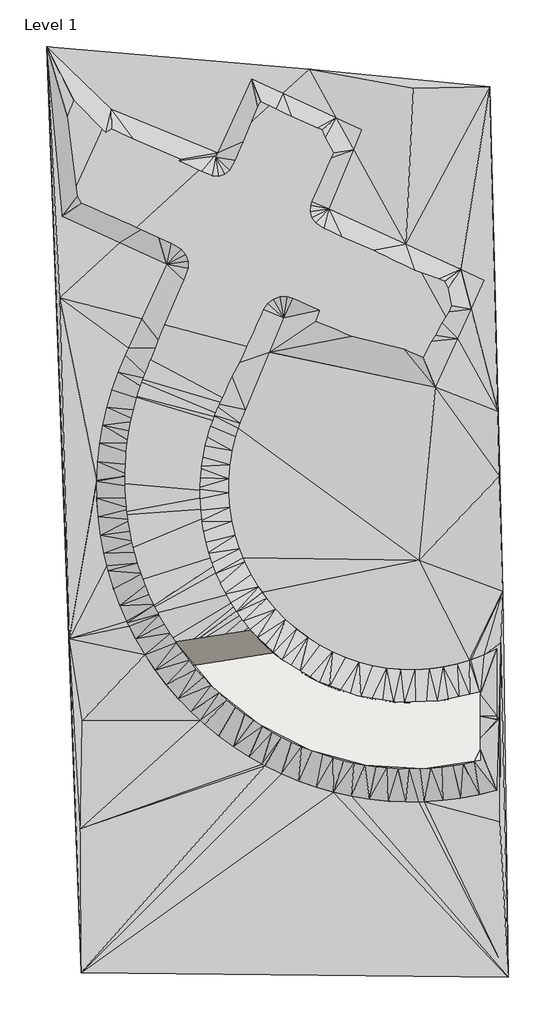
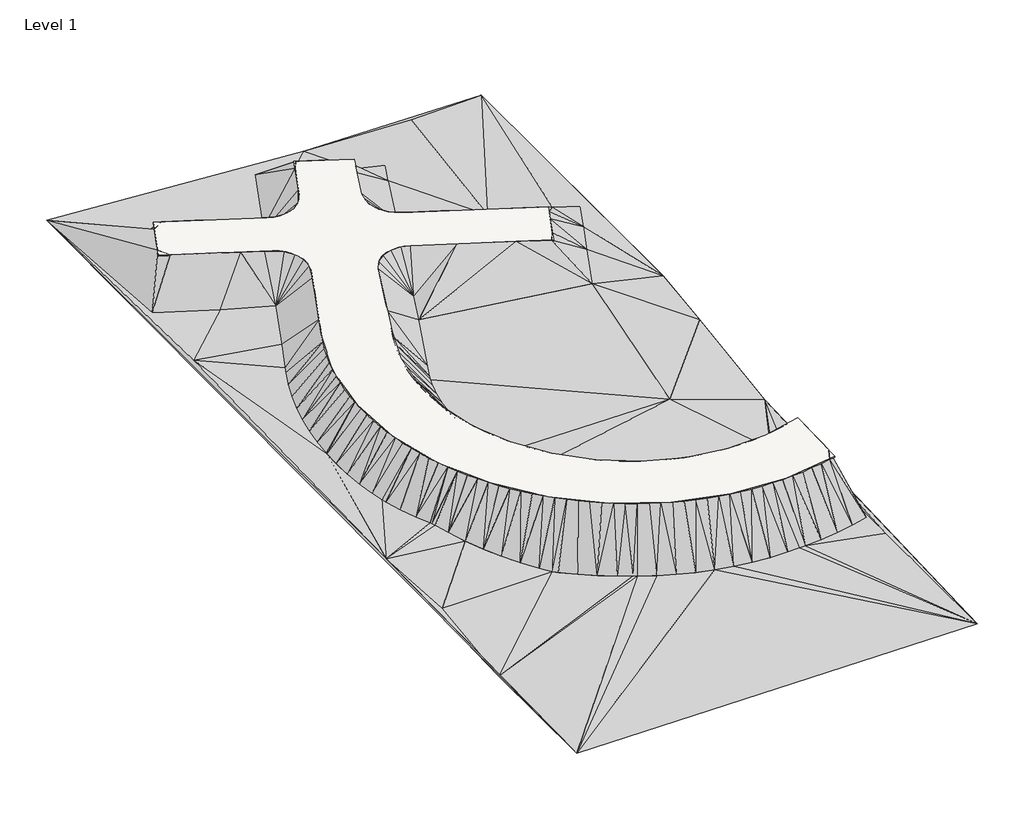
# One storey: 3 proxies, 1 slab.
"""IFC4 building model written with IfcOpenShell, lengths in millimetres."""

from ifc_helpers import new_model, si_unit, frame, origin, place, context, project, spatial, polyline, ellipse_curve, triangles, element, save
from ifc_brep_helpers import plane_surface, cylinder_surface, revolved_surface, advanced_brep

model = new_model("IFC4")

# Units and contexts
model_context = context("Model", 3, world=origin())
ifc_project = project(units=[si_unit("LENGTHUNIT", "METRE", prefix="MILLI")], contexts=[model_context])

# Site, building, storey
site = spatial("IfcSite", under=ifc_project)
building = spatial("IfcBuilding", under=site)
storey = spatial("IfcBuildingStorey", under=building, Name="Level 1", Elevation=0.0)

# Proxies
placement = place(None, origin())
element("IfcBuildingElementProxy", 1, Name="Building Element Proxy", at=placement, inside=storey, context=model_context, shape_type="Tessellation", body=[
    triangles([(68872.0193848, 2162.3956261, -5400.0000412), (107662.1633057, 1746.1923969, -5400.0000412), (107162.7240234, 36790.5101624, -3400.0000259), (106016.1986572, 82596.7351318, 600.0000046), (89608.3164551, 84188.3403076, -400.0000031), (65731.8110596, 86226.5786865, -400.0000031), (76661.0881348, 66467.8917114, -1065.5321995), (72378.1030518, 68429.3952393, -1159.384683), (67155.9938965, 70820.9980957, -1073.6252375), (71611.3265991, 80549.3066162, -628.0985075), (80952.2308594, 76271.3909912, -781.4983738), (81116.4068848, 76196.2048828, -777.9008463), (81293.9960449, 76583.9719116, -766.4359938), (84364.2458496, 83287.8836426, -459.4171975), (87202.5377197, 81988.0001953, -506.0292143), (92041.228418, 79771.9773193, -400.0000031), (94391.829126, 78695.4476807, -193.2906545), (93635.6241211, 76877.7307251, -400.0000031), (91393.9656006, 71489.3340454, -552.6897746), (98361.9960938, 68298.1427856, -400.0000031), (103354.1843994, 66011.8404785, 39.0089879), (105508.6761475, 65025.1332642, 3.9978758), (104299.7638916, 62385.447876, -84.7352712), (103082.9172363, 59728.4379639, -400.0000031), (101053.3480957, 55296.8247437, -531.0271797), (87281.5003418, 61604.0025513, -832.8082506), (85991.7465088, 58503.8289917, -920.6578302), (83803.3963623, 53243.6616943, -1664.4438984), (83307.9103271, 52050.5763794, -1833.0977028), (83153.2220947, 51577.1773682, -1897.6822781), (82906.6417969, 50822.5908691, -1930.0664932), (82602.0092285, 49567.1372681, -1983.8867546), (82395.8543701, 48291.8104614, -2038.5012989), (82289.4236572, 47004.3169556, -2093.5799137), (82283.3775146, 45712.4469727, -2148.7891891), (82377.7252441, 44424.0139893, -2203.79557), (82571.918042, 43146.8082275, -2258.2660824), (82864.774585, 41888.5547974, -2311.8716766), (83254.5182373, 40656.8671875, -2364.2876633), (83594.2370361, 39816.7184692, -2400.0000183), (83738.7956543, 39459.1868042, -2400.0000183), (84314.686084, 38302.7620422, -2400.0000183), (84978.6920654, 37194.585498, -2400.0000183), (85341.9815186, 36683.135321, -2400.0000183), (85726.8138428, 36141.3614136, -2477.7630043), (86554.5121582, 35149.4545166, -2623.3113876), (87456.782666, 34224.8667664, -2762.3543541), (88428.1838379, 33373.1908447, -2894.050676), (89462.8276611, 32599.5752747, -3017.6044716), (90554.4540527, 31908.7011658, -3132.2681122), (91696.4680664, 31304.7450073, -3237.3480354), (92881.9677979, 30791.3600647, -3332.2091057), (94103.77229, 30371.6507996, -3416.2775208), (95354.4959473, 30048.1542664, -3489.0448814), (96626.5764404, 29822.8308105, -3550.0708076), (97912.3212158, 29697.0384888, -3598.9864265), (99203.9540039, 29671.5400452, -3635.495826), (100493.6613281, 29746.4912842, -3659.3783798), (101773.6483154, 29921.4387451, -3670.4896202), (103036.1666016, 30195.3197021, -3668.7621094), (104117.7470947, 30519.7440857, -3656.0396301), (104273.5794434, 30566.4830933, -3647.9447754), (105478.4082275, 31032.6825439, -3570.3910789), (106643.3696777, 31591.0996216, -3480.0326408), (106643.3696777, 25506.7640259, -4348.8705963), (106643.3696777, 25187.9299988, -4388.7922874), (106643.3696777, 25136.4075623, -4400.0000336), (106643.3696777, 18740.2293732, -4400.0000336), (105024.687085, 18334.828537, -4400.0000336), (103385.1313477, 18024.4800385, -4400.0000336), (101730.2556152, 17810.2396271, -4400.0000336), (100065.7153564, 17692.8340027, -4400.0000336), (99497.3593506, 17685.9646545, -4400.0000336), (98397.16604, 17672.6654663, -4428.2581924), (96730.2724365, 17749.800293, -4461.2076347), (95070.7086182, 17923.9780334, -4484.1385025), (93424.120752, 18194.604538, -4496.9723122), (91796.1084961, 18560.7600952, -4499.6660431), (90192.2156982, 19021.1994324, -4492.2101028), (88617.8838867, 19574.356366, -4474.6300713), (87078.4894775, 20218.34729, -4446.9855377), (85579.2414551, 20950.9862915, -4409.3706825), (85292.152002, 21112.660144, -4400.0000336), (84125.2650879, 21769.7781738, -4400.0000336), (82721.4810059, 22671.939386, -4400.0000336), (81372.688916, 23654.4003479, -4400.0000336), (80083.4559814, 24713.8194031, -4400.0000336), (79690.4288086, 25077.1693176, -4400.0000336), (78858.1819336, 25846.5944458, -4232.2300415), (77701.0200073, 27048.8698975, -3970.1466202), (76615.9187988, 28316.5599609, -3693.8681351), (75606.5618042, 29645.350946, -3404.3349358), (74676.3813721, 31030.7221985, -3102.5312645), (73828.5494019, 32467.9647034, -2789.4838028), (73243.1572266, 33607.2881836, -2541.3678429), (73065.9447876, 33952.1880615, -2510.1796303), (73007.9111206, 34083.4405151, -2497.1350777), (72391.1580688, 35478.3437439, -2520.6970116), (71806.4914307, 37041.2390442, -2530.4254875), (71313.9261475, 38635.5626587, -2524.0700615), (71202.5189941, 39088.2327026, -2517.8070717), (70915.1411865, 40255.8870117, -2474.5431427), (70611.4946045, 41896.7077881, -2401.1009686), (70404.0188965, 43552.4346313, -2314.502766), (70293.4163452, 45217.4446289, -2215.0429939), (70280.8171143, 46791.8741089, -2109.3815655), (70280.0636719, 46886.0683594, -2105.3566658), (70364.0073853, 48552.6317505, -2034.0916843), (70544.9637817, 50211.4700317, -1963.1027035), (70822.3142944, 51856.9370361, -1892.6309875), (71195.1194458, 53483.4377563, -1822.9163475), (71662.104895, 55085.4376465, -1754.1959782), (72221.6893433, 56657.4905273, -1686.7034409), (72871.9659302, 58194.2478882, -1620.6685181), (73178.4495483, 58863.4582031, -1591.8991985), (74387.9896729, 61504.5295532, -1212.2811636), (68788.7779541, 15231.1784454, -5400.0000412), (106912.9997314, 15897.1040771, -4400.0000336), (106829.7583008, 25136.8168396, -4400.0000336), (68955.2608154, 25053.5754089, -4400.0000336), (67789.8900879, 32461.9953003, -3400.0000259), (106996.2411621, 32129.0319031, -3400.0000259), (106873.0393799, 47235.3865723, -1400.0000107), (66918.617688, 63436.0860718, -1400.0000107), (106708.844751, 53146.4536743, -400.0000031), (99067.413501, 82451.971875, 600.0000046), (99539.0219238, 39607.8195923, -2400.0000183)], [[121, 1, 117], [1, 121, 6], [88, 120, 117], [121, 117, 120], [93, 94, 121], [92, 93, 120], [95, 121, 94], [121, 120, 93], [84, 117, 83], [121, 95, 96], [101, 102, 121], [102, 103, 121], [101, 121, 100], [97, 98, 121], [98, 99, 121], [97, 121, 96], [100, 121, 99], [121, 103, 104], [89, 120, 88], [90, 91, 120], [89, 90, 120], [84, 85, 117], [86, 87, 117], [85, 86, 117], [117, 87, 88], [38, 127, 37], [127, 38, 39], [127, 41, 42], [127, 40, 41], [37, 127, 36], [39, 40, 127], [91, 92, 120], [117, 1, 82], [106, 107, 121], [107, 108, 124], [121, 107, 124], [110, 111, 124], [109, 110, 124], [121, 105, 106], [108, 109, 124], [124, 9, 6], [6, 10, 14], [10, 6, 9], [9, 124, 8], [124, 6, 121], [114, 124, 113], [115, 124, 114], [116, 8, 124], [113, 124, 112], [124, 111, 112], [105, 121, 104], [34, 127, 33], [33, 127, 32], [35, 36, 127], [30, 31, 127], [32, 127, 31], [29, 25, 28], [34, 35, 127], [7, 8, 116], [116, 124, 115], [14, 10, 13], [12, 13, 11], [13, 10, 11], [29, 30, 25], [6, 14, 5], [42, 43, 127], [77, 78, 2], [80, 1, 79], [79, 1, 78], [73, 74, 2], [75, 76, 2], [74, 75, 2], [77, 2, 76], [82, 1, 81], [83, 117, 82], [127, 55, 56], [55, 127, 54], [127, 53, 54], [57, 127, 56], [81, 1, 80], [71, 72, 118], [69, 70, 118], [71, 118, 70], [119, 68, 118], [118, 68, 69], [119, 67, 68], [119, 118, 122], [118, 72, 2], [72, 73, 2], [127, 58, 59], [59, 60, 127], [127, 60, 61], [66, 119, 65], [119, 66, 67], [65, 119, 122], [58, 127, 57], [118, 2, 122], [2, 78, 1], [3, 61, 62], [46, 127, 45], [127, 44, 45], [47, 127, 46], [127, 49, 50], [49, 127, 48], [48, 127, 47], [51, 127, 50], [127, 43, 44], [127, 25, 30], [25, 26, 27], [5, 16, 126], [5, 15, 16], [19, 20, 18], [15, 5, 14], [127, 51, 52], [61, 3, 127], [123, 25, 127], [122, 63, 64], [127, 52, 53], [3, 123, 127], [3, 122, 2], [125, 123, 4], [125, 25, 123], [3, 4, 123], [63, 122, 3], [64, 65, 122], [25, 125, 24], [126, 20, 4], [17, 126, 16], [126, 17, 20], [17, 18, 20], [22, 23, 125], [21, 4, 20], [4, 21, 22], [22, 125, 4], [24, 125, 23], [126, 4, 5], [28, 25, 27], [63, 3, 62]], closed=False),
])
element("IfcBuildingElementProxy", 2, Name="Building Element Proxy", at=placement, inside=storey, context=model_context, shape_type="Tessellation", body=[
    triangles([(76661.0881348, 66467.8917114, -1065.5321995), (74387.9896729, 61504.5295532, -1212.2811636), (73178.4495483, 58863.4582031, -1591.8991985), (72871.9659302, 58194.2478882, -1620.6685181), (72221.6893433, 56657.4905273, -1686.7034409), (71662.104895, 55085.4376465, -1754.1959782), (71195.1194458, 53483.4377563, -1822.9163475), (70822.3142944, 51856.9370361, -1892.6309875), (70544.9637817, 50211.4700317, -1963.1027035), (70364.0073853, 48552.6317505, -2034.0916843), (70280.0636719, 46886.0683594, -2105.3566658), (70280.8171143, 46791.8741089, -2109.3815655), (70293.4163452, 45217.4446289, -2215.0429939), (70404.0188965, 43552.4346313, -2314.502766), (70611.4946045, 41896.7077881, -2401.1009686), (70915.1411865, 40255.8870117, -2474.5431427), (71202.5189941, 39088.2327026, -2517.8070717), (71313.9261475, 38635.5626587, -2524.0700615), (71806.4914307, 37041.2390442, -2530.4254875), (72391.1580688, 35478.3437439, -2520.6970116), (73007.9111206, 34083.4405151, -2497.1350777), (73065.9447876, 33952.1880615, -2510.1796303), (73243.1572266, 33607.2881836, -2541.3678429), (73828.5494019, 32467.9647034, -2789.4838028), (74676.3813721, 31030.7221985, -3102.5312645), (75606.5618042, 29645.350946, -3404.3349358), (76615.9187988, 28316.5599609, -3693.8681351), (77701.0200073, 27048.8698975, -3970.1466202), (78858.1819336, 25846.5944458, -4232.2300415), (79690.4288086, 25077.1693176, -4400.0000336), (80083.4559814, 24713.8194031, -4400.0000336), (81372.688916, 23654.4003479, -4400.0000336), (82721.4810059, 22671.939386, -4400.0000336), (84125.2650879, 21769.7781738, -4400.0000336), (85292.152002, 21112.660144, -4400.0000336), (85579.2414551, 20950.9862915, -4409.3706825), (87078.4894775, 20218.34729, -4446.9855377), (88617.8838867, 19574.356366, -4474.6300713), (90192.2156982, 19021.1994324, -4492.2101028), (91796.1084961, 18560.7600952, -4499.6660431), (93424.120752, 18194.604538, -4496.9723122), (95070.7086182, 17923.9780334, -4484.1385025), (96730.2724365, 17749.800293, -4461.2076347), (98397.16604, 17672.6654663, -4428.2581924), (99497.3593506, 17685.9646545, -4400.0000336), (100065.7153564, 17692.8340027, -4400.0000336), (101730.2556152, 17810.2396271, -4400.0000336), (103385.1313477, 18024.4800385, -4400.0000336), (105024.687085, 18334.828537, -4400.0000336), (106643.3696777, 18740.2293732, -4400.0000336), (106643.3696777, 25136.4075623, -4400.0000336), (106643.3696777, 25187.9299988, -4388.7922874), (106643.3696777, 25506.7640259, -4348.8705963), (106643.3696777, 31591.0996216, -3480.0326408), (105478.4082275, 31032.6825439, -3570.3910789), (104273.5794434, 30566.4830933, -3647.9447754), (104117.7470947, 30519.7440857, -3656.0396301), (103036.1666016, 30195.3197021, -3668.7621094), (101773.6483154, 29921.4387451, -3670.4896202), (100493.6613281, 29746.4912842, -3659.3783798), (99203.9540039, 29671.5400452, -3635.495826), (97912.3212158, 29697.0384888, -3598.9864265), (96626.5764404, 29822.8308105, -3550.0708076), (95354.4959473, 30048.1542664, -3489.0448814), (94103.77229, 30371.6507996, -3416.2775208), (92881.9677979, 30791.3600647, -3332.2091057), (91696.4680664, 31304.7450073, -3237.3480354), (90554.4540527, 31908.7011658, -3132.2681122), (89462.8276611, 32599.5752747, -3017.6044716), (88428.1838379, 33373.1908447, -2894.050676), (87456.782666, 34224.8667664, -2762.3543541), (86554.5121582, 35149.4545166, -2623.3113876), (85726.8138428, 36141.3614136, -2477.7630043), (85341.9815186, 36683.135321, -2400.0000183), (84978.6920654, 37194.585498, -2400.0000183), (84314.686084, 38302.7620422, -2400.0000183), (83738.7956543, 39459.1868042, -2400.0000183), (83594.2370361, 39816.7184692, -2400.0000183), (83254.5182373, 40656.8671875, -2364.2876633), (82864.774585, 41888.5547974, -2311.8716766), (82571.918042, 43146.8082275, -2258.2660824), (82377.7252441, 44424.0139893, -2203.79557), (82283.3775146, 45712.4469727, -2148.7891891), (82289.4236572, 47004.3169556, -2093.5799137), (82395.8543701, 48291.8104614, -2038.5012989), (82602.0092285, 49567.1372681, -1983.8867546), (82906.6417969, 50822.5908691, -1930.0664932), (83153.2220947, 51577.1773682, -1897.6822781), (83307.9103271, 52050.5763794, -1833.0977028), (83803.3963623, 53243.6616943, -1664.4438984), (85991.7465088, 58503.8289917, -920.6578302), (87281.5003418, 61604.0025513, -832.8082506), (101053.3480957, 55296.8247437, -531.0271797), (103082.9172363, 59728.4379639, -400.0000031), (104299.7638916, 62385.447876, -84.7352712), (105508.6761475, 65025.1332642, 3.9978758), (103354.1843994, 66011.8404785, 39.0089879), (98361.9960938, 68298.1427856, -400.0000031), (91393.9656006, 71489.3340454, -552.6897746), (93635.6241211, 76877.7307251, -400.0000031), (94391.829126, 78695.4476807, -193.2906545), (92041.228418, 79771.9773193, -400.0000031), (87202.5377197, 81988.0001953, -506.0292143), (84364.2458496, 83287.8836426, -459.4171975), (81293.9960449, 76583.9719116, -766.4359938), (81116.4068848, 76196.2048828, -777.9008463), (80952.2308594, 76271.3909912, -781.4983738), (71611.3265991, 80549.3066162, -628.0985075), (67155.9938965, 70820.9980957, -1073.6252375), (72378.1030518, 68429.3952393, -1159.384683), (71658.2353638, 39973.0949707, -2400.0000183), (73569.295459, 34257.8856812, -2400.0000183)], [[21, 22, 112], [20, 21, 112], [24, 25, 112], [23, 112, 22], [112, 23, 24], [19, 112, 79], [20, 112, 19], [111, 14, 15], [111, 15, 16], [18, 19, 111], [17, 111, 16], [111, 17, 18], [111, 19, 79], [82, 14, 111], [77, 112, 76], [28, 72, 27], [28, 29, 72], [70, 31, 32], [31, 71, 30], [71, 29, 30], [32, 33, 69], [111, 80, 81], [26, 75, 25], [25, 75, 112], [78, 112, 77], [80, 111, 79], [79, 112, 78], [73, 26, 27], [82, 111, 81], [6, 7, 87], [10, 11, 84], [9, 10, 85], [8, 9, 86], [8, 86, 7], [84, 11, 12], [108, 109, 110], [5, 6, 89], [108, 110, 107], [90, 4, 5], [4, 90, 3], [83, 12, 13], [84, 12, 83], [85, 10, 84], [87, 7, 86], [89, 6, 88], [88, 6, 87], [86, 9, 85], [1, 107, 110], [91, 1, 2], [107, 1, 106], [1, 99, 106], [99, 105, 106], [90, 91, 2], [2, 3, 90], [89, 90, 5], [13, 14, 83], [14, 82, 83], [69, 33, 34], [39, 66, 38], [40, 65, 39], [42, 43, 63], [63, 41, 42], [64, 40, 41], [62, 43, 44], [36, 67, 35], [37, 67, 36], [64, 41, 63], [38, 66, 37], [65, 40, 64], [43, 62, 63], [66, 39, 65], [44, 61, 62], [46, 61, 45], [47, 60, 46], [48, 49, 51], [50, 51, 49], [48, 51, 47], [51, 60, 47], [61, 46, 60], [60, 51, 59], [53, 58, 59], [57, 58, 53], [53, 56, 57], [53, 59, 52], [52, 59, 51], [45, 61, 44], [74, 26, 73], [73, 27, 72], [69, 34, 68], [71, 31, 70], [70, 32, 69], [29, 71, 72], [91, 92, 1], [76, 112, 75], [105, 99, 103], [103, 99, 102], [104, 105, 103], [1, 92, 99], [92, 98, 99], [75, 26, 74], [66, 67, 37], [94, 92, 93], [55, 56, 53], [55, 53, 54], [94, 98, 92], [102, 100, 101], [99, 100, 102], [95, 96, 97], [98, 94, 97], [97, 94, 95], [68, 35, 67], [34, 35, 68]], closed=False),
])
element("IfcBuildingElementProxy", 3, Name="Building Element Proxy", at=placement, inside=storey, context=model_context, shape_type="Tessellation", body=[
    triangles([(68872.0193848, 2162.3956261, -5400.0000412), (107662.1633057, 1746.1923969, -5400.0000412), (107162.7240234, 36790.5101624, -3400.0000259), (106016.1986572, 82596.7351318, 600.0000046), (89608.3164551, 84188.3403076, -400.0000031), (65731.8110596, 86226.5786865, -400.0000031), (76661.0881348, 66467.8917114, -1065.5321995), (72378.1030518, 68429.3952393, -1159.384683), (67155.9938965, 70820.9980957, -1073.6252375), (71611.3265991, 80549.3066162, -628.0985075), (80952.2308594, 76271.3909912, -781.4983738), (81116.4068848, 76196.2048828, -777.9008463), (81293.9960449, 76583.9719116, -766.4359938), (84364.2458496, 83287.8836426, -459.4171975), (87202.5377197, 81988.0001953, -506.0292143), (92041.228418, 79771.9773193, -400.0000031), (94391.829126, 78695.4476807, -193.2906545), (93635.6241211, 76877.7307251, -400.0000031), (91393.9656006, 71489.3340454, -552.6897746), (98361.9960938, 68298.1427856, -400.0000031), (103354.1843994, 66011.8404785, 39.0089879), (105508.6761475, 65025.1332642, 3.9978758), (104299.7638916, 62385.447876, -84.7352712), (103082.9172363, 59728.4379639, -400.0000031), (101053.3480957, 55296.8247437, -531.0271797), (87281.5003418, 61604.0025513, -832.8082506), (85991.7465088, 58503.8289917, -920.6578302), (83803.3963623, 53243.6616943, -1664.4438984), (83307.9103271, 52050.5763794, -1833.0977028), (83153.2220947, 51577.1773682, -1897.6822781), (82906.6417969, 50822.5908691, -1930.0664932), (82602.0092285, 49567.1372681, -1983.8867546), (82395.8543701, 48291.8104614, -2038.5012989), (82289.4236572, 47004.3169556, -2093.5799137), (82283.3775146, 45712.4469727, -2148.7891891), (82377.7252441, 44424.0139893, -2203.79557), (82571.918042, 43146.8082275, -2258.2660824), (82864.774585, 41888.5547974, -2311.8716766), (83254.5182373, 40656.8671875, -2364.2876633), (83594.2370361, 39816.7184692, -2400.0000183), (83738.7956543, 39459.1868042, -2400.0000183), (84314.686084, 38302.7620422, -2400.0000183), (84978.6920654, 37194.585498, -2400.0000183), (85341.9815186, 36683.135321, -2400.0000183), (85726.8138428, 36141.3614136, -2477.7630043), (86554.5121582, 35149.4545166, -2623.3113876), (87456.782666, 34224.8667664, -2762.3543541), (88428.1838379, 33373.1908447, -2894.050676), (89462.8276611, 32599.5752747, -3017.6044716), (90554.4540527, 31908.7011658, -3132.2681122), (91696.4680664, 31304.7450073, -3237.3480354), (92881.9677979, 30791.3600647, -3332.2091057), (94103.77229, 30371.6507996, -3416.2775208), (95354.4959473, 30048.1542664, -3489.0448814), (96626.5764404, 29822.8308105, -3550.0708076), (97912.3212158, 29697.0384888, -3598.9864265), (99203.9540039, 29671.5400452, -3635.495826), (100493.6613281, 29746.4912842, -3659.3783798), (101773.6483154, 29921.4387451, -3670.4896202), (103036.1666016, 30195.3197021, -3668.7621094), (104117.7470947, 30519.7440857, -3656.0396301), (104273.5794434, 30566.4830933, -3647.9447754), (105478.4082275, 31032.6825439, -3570.3910789), (106643.3696777, 31591.0996216, -3480.0326408), (106643.3696777, 25506.7640259, -4348.8705963), (106643.3696777, 25187.9299988, -4388.7922874), (106643.3696777, 25136.4075623, -4400.0000336), (106643.3696777, 18740.2293732, -4400.0000336), (105024.687085, 18334.828537, -4400.0000336), (103385.1313477, 18024.4800385, -4400.0000336), (101730.2556152, 17810.2396271, -4400.0000336), (100065.7153564, 17692.8340027, -4400.0000336), (99497.3593506, 17685.9646545, -4400.0000336), (98397.16604, 17672.6654663, -4428.2581924), (96730.2724365, 17749.800293, -4461.2076347), (95070.7086182, 17923.9780334, -4484.1385025), (93424.120752, 18194.604538, -4496.9723122), (91796.1084961, 18560.7600952, -4499.6660431), (90192.2156982, 19021.1994324, -4492.2101028), (88617.8838867, 19574.356366, -4474.6300713), (87078.4894775, 20218.34729, -4446.9855377), (85579.2414551, 20950.9862915, -4409.3706825), (85292.152002, 21112.660144, -4400.0000336), (84125.2650879, 21769.7781738, -4400.0000336), (82721.4810059, 22671.939386, -4400.0000336), (81372.688916, 23654.4003479, -4400.0000336), (80083.4559814, 24713.8194031, -4400.0000336), (79690.4288086, 25077.1693176, -4400.0000336), (78858.1819336, 25846.5944458, -4232.2300415), (77701.0200073, 27048.8698975, -3970.1466202), (76615.9187988, 28316.5599609, -3693.8681351), (75606.5618042, 29645.350946, -3404.3349358), (74676.3813721, 31030.7221985, -3102.5312645), (73828.5494019, 32467.9647034, -2789.4838028), (73243.1572266, 33607.2881836, -2541.3678429), (73065.9447876, 33952.1880615, -2510.1796303), (73007.9111206, 34083.4405151, -2497.1350777), (72391.1580688, 35478.3437439, -2520.6970116), (71806.4914307, 37041.2390442, -2530.4254875), (71313.9261475, 38635.5626587, -2524.0700615), (71202.5189941, 39088.2327026, -2517.8070717), (70915.1411865, 40255.8870117, -2474.5431427), (70611.4946045, 41896.7077881, -2401.1009686), (70404.0188965, 43552.4346313, -2314.502766), (70293.4163452, 45217.4446289, -2215.0429939), (70280.8171143, 46791.8741089, -2109.3815655), (70280.0636719, 46886.0683594, -2105.3566658), (70364.0073853, 48552.6317505, -2034.0916843), (70544.9637817, 50211.4700317, -1963.1027035), (70822.3142944, 51856.9370361, -1892.6309875), (71195.1194458, 53483.4377563, -1822.9163475), (71662.104895, 55085.4376465, -1754.1959782), (72221.6893433, 56657.4905273, -1686.7034409), (72871.9659302, 58194.2478882, -1620.6685181), (73178.4495483, 58863.4582031, -1591.8991985), (74387.9896729, 61504.5295532, -1212.2811636), (68788.7779541, 15231.1784454, -5400.0000412), (106912.9997314, 15897.1040771, -4400.0000336), (106829.7583008, 25136.8168396, -4400.0000336), (68955.2608154, 25053.5754089, -4400.0000336), (67789.8900879, 32461.9953003, -3400.0000259), (106996.2411621, 32129.0319031, -3400.0000259), (106873.0393799, 47235.3865723, -1400.0000107), (66918.617688, 63436.0860718, -1400.0000107), (106708.844751, 53146.4536743, -400.0000031), (99067.413501, 82451.971875, 600.0000046), (99539.0219238, 39607.8195923, -2400.0000183), (104187.9288574, 27398.8183044, 976.6315212), (103218.7042969, 27153.123999, 973.5335999), (102238.2060059, 26957.1475891, 972.1664595), (101248.9919678, 26811.3983459, 972.5336609), (100253.6387695, 26716.2622925, 974.6344774), (99254.7322998, 26671.9649963, 978.4625868), (98254.8863525, 26678.6483093, 984.0090506), (97256.6775146, 26736.2703735, 991.2586081), (96262.7288818, 26844.7009644, 1000.1928738), (95275.5984375, 27003.6331238, 1010.7880119), (94297.8813721, 27212.6715271, 1023.0169893), (93332.0984619, 27471.2510925, 1036.8472498), (92380.7797852, 27778.7137207, 1052.2433304), (91446.3810059, 28134.2385315, 1069.1645359), (90531.3484863, 28536.9162781, 1087.5672644), (89638.0355713, 28985.6772583, 1107.4030449), (88768.7863037, 29479.3703796, 1128.6206451), (87925.8331055, 30016.6910706, 1151.1644726), (87111.3897949, 30596.2533691, 1174.9761732), (86327.5492676, 31216.536438, 1199.9933235), (85576.3579102, 31875.9380493, 1226.1514652), (84859.7504883, 32572.7304016, 1253.3819252), (84179.5966553, 33305.1112793, 1281.6143589), (83537.6544434, 34071.1645203, 1310.775079), (82935.5888672, 34868.913501, 1340.7885086), (82374.9533203, 35696.2723022, 1371.5767456), (81857.2081787, 36551.1038452, 1403.0597076), (81383.6928955, 37431.1780334, 1435.1557137), (80955.626001, 38334.2205872, 1467.7816292), (80574.1237061, 39257.8781616, 1500.8524303), (80240.1719971, 40199.7602051, 1534.2826572), (79954.6266357, 41157.4180298, 1567.9853966), (79718.2410645, 42128.3773682, 1601.8734444), (79531.6198975, 43110.112793, 1635.8587246), (79395.2468262, 44100.0756226, 1669.8531612), (79309.4846191, 45095.7032227, 1703.7685329), (79274.537915, 46094.4143555, 1737.5170544), (79290.518335, 47093.6184814, 1771.0110855), (79357.3700684, 48090.725061, 1804.1637131), (79474.9256836, 49083.1389038, 1836.8888958), (79642.8968262, 50068.2973755, 1869.1019005), (79860.82771, 51043.6378418, 1900.7190113), (80128.1695313, 52006.6302246, 1931.6582565), (80444.23396, 52954.777002, 1961.8391178), (80808.1931396, 53885.6085571, 1991.1834023), (81438.6197754, 55369.7040161, 2037.7020744), (81822.5591309, 56292.6058228, 2066.6732712), (82206.5077881, 57215.5076294, 2095.6444679), (82590.4471436, 58138.409436, 2124.61581), (82974.3958008, 59061.3112427, 2153.5870068), (83358.344458, 59984.2130493, 2182.5582035), (83742.2838135, 60907.114856, 2211.5295456), (84126.2324707, 61830.0166626, 2240.5007423), (84510.1718262, 62752.9184692, 2269.4719391), (85040.8743164, 63598.9458984, 2295.0788063), (85816.8083496, 64222.1776245, 2311.8930416), (86754.0534668, 64557.2920532, 2318.1660599), (87749.3601562, 64567.3007446, 2313.2048801), (88530.6240967, 64331.580249, 2301.1248035), (89439.6476807, 63915.2661255, 2282.2958656), (90348.6805664, 63498.952002, 2263.4669277), (91257.7041504, 63082.6425293, 2244.6379898), (92166.7277344, 62666.3284058, 2225.8090519), (93075.7606201, 62250.0189331, 2206.9802593), (93984.7842041, 61833.7048096, 2188.1513214), (94893.8077881, 61417.390686, 2169.3223835), (95802.8406738, 61001.0812134, 2150.4934456), (96711.8642578, 60584.7670898, 2131.6645077), (97620.8878418, 60168.4529663, 2112.8355698), (98529.9207275, 59752.1434937, 2094.0066319), (99438.9443115, 59335.8293701, 2075.1776939), (99991.1617676, 60182.368396, 2100.687038), (100407.3782227, 61091.1919922, 2129.0133614), (100823.6039795, 62000.0155884, 2157.3396847), (101239.8204346, 62908.8391846, 2185.666008), (100622.9278564, 63963.0399536, 2224.3768719), (99713.9042725, 64379.3540771, 2243.2058098), (98804.8806885, 64795.6682007, 2262.0347477), (97895.8478027, 65211.9776733, 2280.8636856), (96986.8242188, 65628.2917969, 2299.6926235), (96077.8006348, 66044.6012695, 2318.5215614), (95168.767749, 66460.9153931, 2337.3504993), (94259.744165, 66877.2295166, 2356.1794373), (93350.7205811, 67293.5389893, 2375.0083752), (92441.6876953, 67709.8531128, 2393.8373131), (91532.6641113, 68126.1625854, 2412.666251), (90623.6405273, 68542.476709, 2431.4951889), (89321.301416, 69320.4431763, 2464.571077), (88725.9424072, 70117.5852173, 2494.5285507), (88424.0445557, 71065.4947998, 2527.9907524), (88448.7314209, 72060.0201416, 2561.2811623), (88624.0881592, 72641.6590576, 2579.8942703), (89008.0275146, 73564.5608643, 2608.8654671), (89391.9761719, 74487.4626709, 2637.8366638), (89775.9155273, 75410.3644775, 2666.8081512), (90159.8641846, 76333.2616333, 2695.779348), (89600.521582, 77590.1244507, 2740.9943207), (88691.497998, 78006.4385742, 2759.8231133), (87782.4651123, 78422.7480469, 2778.6521965), (86873.4415283, 78839.0575195, 2797.4809891), (85964.4179443, 79255.3762939, 2816.3100723), (85426.422876, 78402.3213867, 2790.5058334), (85010.2064209, 77493.4977905, 2762.1796555), (84593.9899658, 76584.6741943, 2733.8531868), (84177.764209, 75675.8505981, 2705.5270088), (83285.3535645, 74123.5779053, 2658.1115891), (82487.9324707, 73528.0561157, 2642.3430748), (81539.4508301, 73226.1722168, 2637.2462929), (80544.4138916, 73251.2358032, 2643.3848717), (78958.2409424, 73884.9459595, 2673.1237541), (78049.2173584, 74301.260083, 2691.9528374), (77140.1891235, 74717.5742065, 2710.7816299), (76231.1608887, 75133.8836792, 2729.6107132), (75322.1373047, 75550.1978027, 2748.4395058), (74413.1090698, 75966.5072754, 2767.268589), (73504.080835, 76382.8213989, 2786.0973816), (72595.057251, 76799.1355225, 2804.9261742), (71686.0290161, 77215.4449951, 2823.7552574), (70657.9429321, 76586.8415039, 2808.1027245), (70241.7264771, 75678.0179077, 2779.7762558), (69825.5053711, 74769.1943115, 2751.4500778), (69409.288916, 73860.3753662, 2723.1236092), (70026.1768433, 72806.1699463, 2684.4128906), (70935.2004272, 72389.8558228, 2665.5838074), (71844.2286621, 71973.5463501, 2646.7550148), (72753.256897, 71557.2322266, 2627.9259315), (73662.280481, 71140.9227539, 2609.097139), (74571.3087158, 70724.6086304, 2590.2680557), (75480.3369507, 70308.2945068, 2571.4392632), (76389.3605347, 69891.9850342, 2552.6101799), (77298.3887695, 69475.6709106, 2533.7813873), (78733.7430176, 68636.7872314, 2497.9501442), (79329.1020264, 67839.6451904, 2467.9926704), (79630.9998779, 66891.7356079, 2434.5303234), (79606.3130127, 65897.2102661, 2401.2400589), (78972.4447266, 64309.9071533, 2351.2713066), (78556.2189697, 63401.0835571, 2322.9449833), (78140.0025146, 62492.2599609, 2294.61866), (77723.7814087, 61583.4363647, 2266.2921913), (77307.5649536, 60674.6127686, 2237.965868), (76891.3438477, 59765.7938232, 2209.6395447), (76475.1273926, 58856.9702271, 2181.3132214), (76058.9062866, 57948.1466309, 2152.986898), (75642.6898315, 57039.3230347, 2124.6605747), (75201.1679443, 56028.4172974, 2093.0382317), (74838.8691284, 55096.8834595, 2063.6618271), (74513.2006348, 54151.9457886, 2033.639677), (74224.6508057, 53195.0367554, 2003.0178543), (73973.6614746, 52227.6167358, 1971.8428677), (73760.6093628, 51251.1507568, 1940.1619526), (73585.81073, 50267.1364014, 1908.023798), (73449.5492798, 49277.0619507, 1875.4768021), (73352.0063965, 48282.4389404, 1842.5708164), (73293.3541626, 47284.7789063, 1809.355838), (73273.6576904, 46285.5980347, 1775.8822998), (73292.9588379, 45286.4125122, 1742.2012161), (73351.2296997, 44288.7478271, 1708.3637466), (73448.3679565, 43294.120166, 1674.421487), (73584.2433838, 42304.0410645, 1640.4258877), (73758.6327393, 41320.0174072, 1606.4286896), (73971.2848755, 40343.5421265, 1572.4816338), (74221.8602783, 39376.1035034, 1538.6363159), (74509.9961792, 38419.1735413, 1504.9443317), (74835.2460938, 37474.2056396, 1471.4566956), (75197.1123779, 36542.6369202, 1438.2244217), (75595.0555298, 35625.8859009, 1405.2982338), (76028.4616333, 34725.3478455, 1372.7279835), (76496.6842163, 33842.3924377, 1340.5635223), (76998.9977417, 32978.3614563, 1308.8533939), (77534.6487671, 32134.5780762, 1277.6462872), (78102.8233887, 31312.3166382, 1246.9892921), (78702.656543, 30512.8375305, 1216.9294991), (79333.2413086, 29737.3546326, 1187.5123993), (79993.6196045, 28987.051593, 1158.7829029), (80682.7775391, 28263.0725281, 1130.7849026), (81399.6733154, 27566.5173706, 1103.5607649), (82143.2279297, 26898.4581482, 1077.1524204), (82912.2972656, 26259.8994507, 1051.5996923), (83705.7186035, 25651.8295898, 1026.9419678), (84522.2734131, 25075.1671143, 1003.2165264), (85360.7431641, 24530.8026672, 980.4598486), (86219.8256104, 24019.5617798, 958.7065979), (87098.2278076, 23542.2164978, 937.9895485), (87994.6103027, 23099.5156128, 918.3411839), (88907.6057373, 22692.1242004, 899.7908627), (89835.8188477, 22320.6631531, 882.3669989), (90777.8543701, 21985.7138306, 866.096771), (91732.2519287, 21687.7715515, 851.004233), (92697.569751, 21427.3083801, 837.1131477), (93672.3288574, 21204.7173157, 824.4445169), (94655.0595703, 21020.330896, 813.0173801), (95644.2364014, 20874.4537537, 802.8499048), (96638.3803711, 20767.2882019, 793.957061), (97635.9473877, 20699.0086487, 786.3528013), (98635.4398682, 20669.7267151, 780.0488983), (99635.3137207, 20679.467981, 775.0542177), (100634.0527588, 20728.2324463, 771.3770439), (101630.1314941, 20815.9503479, 769.0231905), (102622.0337402, 20942.4821594, 767.9957823), (103608.2340088, 21107.6348694, 768.2967087), (104587.2440186, 21311.1573303, 769.9253883), (105143.3775146, 22444.1300354, 805.0397421), (105143.3775146, 23443.5667053, 838.6265728), (105143.3775146, 24443.0010498, 872.2134035), (105143.3775146, 25442.4377197, 905.8002342), (105143.3775146, 26441.8720642, 939.3871376), (105143.3775146, 27441.3087341, 972.9739683)], [[121, 117, 120], [117, 121, 1], [120, 93, 121], [117, 88, 120], [121, 93, 94], [120, 89, 90], [121, 6, 1], [121, 94, 95], [98, 291, 99], [98, 99, 121], [293, 97, 96], [97, 98, 121], [95, 96, 121], [98, 97, 293], [121, 96, 97], [294, 96, 95], [95, 94, 294], [121, 99, 100], [93, 92, 297], [92, 93, 120], [299, 92, 91], [90, 91, 120], [300, 91, 90], [92, 298, 297], [92, 120, 91], [93, 297, 296], [156, 292, 293], [292, 98, 293], [295, 296, 154], [294, 94, 295], [295, 94, 296], [294, 155, 293], [96, 294, 293], [292, 157, 291], [155, 294, 295], [296, 94, 93], [84, 117, 83], [291, 98, 292], [104, 284, 105], [103, 104, 121], [121, 101, 102], [101, 121, 100], [103, 102, 287], [285, 104, 103], [103, 121, 102], [101, 288, 102], [281, 107, 106], [107, 121, 106], [107, 281, 108], [283, 282, 105], [282, 281, 106], [282, 106, 105], [121, 105, 106], [121, 107, 124], [101, 100, 289], [104, 105, 121], [161, 286, 287], [288, 287, 102], [158, 289, 290], [290, 289, 100], [290, 100, 99], [289, 159, 288], [288, 101, 289], [291, 158, 290], [164, 282, 283], [284, 283, 105], [284, 163, 283], [282, 165, 281], [286, 162, 285], [285, 162, 284], [286, 285, 103], [287, 288, 160], [284, 104, 285], [281, 280, 108], [281, 165, 280], [287, 286, 103], [99, 291, 290], [279, 108, 280], [297, 153, 296], [124, 107, 108], [302, 89, 303], [89, 120, 88], [304, 88, 87], [86, 87, 117], [149, 150, 301], [89, 88, 303], [117, 87, 88], [302, 301, 90], [295, 154, 155], [298, 92, 299], [151, 299, 300], [300, 90, 301], [301, 150, 300], [298, 299, 152], [91, 300, 299], [155, 156, 293], [305, 87, 86], [302, 90, 89], [87, 305, 304], [304, 303, 88], [306, 305, 86], [307, 306, 85], [146, 305, 306], [148, 303, 304], [85, 117, 84], [305, 147, 304], [154, 296, 153], [152, 153, 297], [43, 42, 154], [302, 149, 301], [152, 43, 153], [152, 299, 151], [151, 300, 150], [153, 43, 154], [148, 302, 303], [155, 154, 42], [151, 150, 46], [85, 306, 86], [86, 117, 85], [45, 152, 151], [37, 161, 160], [161, 287, 160], [36, 162, 161], [159, 289, 158], [158, 291, 157], [159, 38, 160], [288, 159, 160], [159, 158, 38], [165, 282, 164], [34, 165, 164], [163, 162, 36], [163, 284, 162], [165, 34, 166], [164, 163, 35], [283, 163, 164], [166, 280, 165], [158, 157, 39], [162, 286, 161], [39, 38, 158], [157, 40, 39], [127, 40, 41], [41, 40, 156], [41, 156, 155], [38, 39, 127], [155, 42, 41], [127, 34, 35], [127, 33, 34], [35, 163, 36], [127, 35, 36], [34, 164, 35], [127, 37, 38], [37, 127, 36], [37, 160, 38], [127, 32, 33], [161, 37, 36], [33, 166, 34], [40, 127, 39], [40, 157, 156], [292, 156, 157], [280, 166, 279], [84, 308, 85], [297, 298, 152], [117, 1, 82], [33, 167, 166], [109, 110, 124], [278, 110, 109], [112, 111, 275], [110, 276, 111], [113, 112, 273], [111, 112, 124], [109, 108, 279], [110, 111, 124], [124, 113, 114], [113, 124, 112], [8, 124, 116], [115, 124, 114], [272, 114, 113], [116, 124, 115], [114, 271, 115], [124, 8, 9], [279, 278, 109], [109, 124, 108], [276, 110, 277], [275, 276, 169], [275, 170, 274], [171, 273, 274], [273, 112, 274], [274, 112, 275], [277, 278, 168], [275, 111, 276], [272, 271, 114], [113, 273, 272], [272, 273, 171], [271, 270, 115], [269, 116, 115], [168, 276, 277], [272, 172, 271], [115, 270, 269], [173, 270, 271], [7, 256, 8], [270, 174, 269], [277, 110, 278], [167, 278, 279], [116, 7, 8], [6, 9, 249], [249, 9, 250], [248, 250, 251], [250, 248, 249], [251, 250, 9], [248, 251, 247], [8, 251, 9], [6, 249, 248], [6, 247, 246], [247, 6, 248], [246, 245, 10], [244, 245, 246], [10, 245, 244], [246, 10, 6], [244, 246, 247], [14, 6, 10], [247, 251, 243], [9, 6, 124], [253, 254, 241], [8, 253, 252], [253, 8, 254], [8, 255, 254], [239, 255, 256], [240, 255, 239], [252, 251, 8], [254, 255, 240], [243, 244, 247], [243, 252, 242], [244, 243, 10], [243, 251, 252], [253, 242, 252], [253, 241, 242], [10, 241, 13], [242, 241, 10], [254, 240, 241], [243, 242, 10], [256, 257, 238], [8, 256, 255], [256, 7, 257], [11, 241, 240], [116, 269, 268], [124, 6, 121], [169, 276, 168], [172, 171, 29], [169, 31, 170], [171, 170, 30], [172, 272, 171], [171, 274, 170], [169, 168, 32], [170, 275, 169], [266, 116, 267], [176, 267, 268], [266, 267, 177], [270, 173, 174], [28, 173, 172], [175, 269, 174], [172, 173, 271], [265, 116, 266], [32, 168, 167], [168, 278, 167], [30, 170, 31], [30, 31, 127], [29, 25, 28], [32, 127, 31], [28, 174, 173], [28, 172, 29], [29, 30, 25], [29, 171, 30], [175, 27, 176], [175, 174, 28], [175, 176, 268], [175, 268, 269], [177, 176, 27], [177, 27, 178], [266, 178, 265], [177, 178, 266], [178, 27, 179], [176, 177, 267], [179, 26, 180], [31, 169, 32], [167, 33, 32], [265, 178, 179], [7, 265, 264], [7, 116, 265], [7, 261, 260], [180, 263, 264], [262, 7, 263], [263, 7, 264], [265, 179, 264], [7, 260, 259], [256, 238, 239], [258, 237, 257], [237, 238, 257], [236, 237, 258], [259, 236, 258], [238, 237, 11], [258, 7, 259], [239, 238, 11], [259, 260, 235], [258, 257, 7], [262, 261, 7], [182, 261, 262], [235, 236, 259], [235, 260, 234], [261, 216, 260], [236, 235, 12], [181, 262, 263], [236, 11, 237], [11, 12, 13], [11, 236, 12], [13, 12, 232], [13, 241, 11], [233, 232, 12], [217, 233, 234], [219, 232, 233], [233, 12, 234], [235, 234, 12], [14, 10, 13], [180, 181, 263], [260, 216, 234], [179, 180, 264], [11, 240, 239], [28, 27, 175], [267, 116, 268], [279, 166, 167], [231, 13, 232], [127, 41, 42], [310, 83, 82], [83, 117, 82], [312, 81, 80], [81, 1, 80], [80, 1, 79], [82, 81, 311], [1, 81, 82], [314, 80, 79], [311, 142, 310], [311, 310, 82], [141, 312, 313], [313, 312, 80], [314, 313, 80], [311, 312, 142], [311, 81, 312], [140, 313, 314], [79, 315, 314], [83, 310, 309], [317, 78, 77], [77, 78, 2], [76, 75, 320], [75, 76, 2], [135, 320, 321], [77, 76, 318], [77, 2, 76], [320, 319, 76], [139, 315, 316], [316, 315, 78], [137, 317, 318], [318, 317, 77], [319, 318, 76], [319, 136, 318], [316, 78, 317], [317, 138, 316], [314, 315, 139], [78, 315, 79], [1, 78, 79], [320, 135, 319], [145, 307, 308], [307, 85, 308], [142, 143, 310], [312, 141, 142], [143, 142, 51], [308, 309, 144], [84, 309, 308], [143, 309, 310], [145, 144, 49], [147, 305, 146], [50, 144, 143], [144, 145, 308], [143, 144, 309], [146, 145, 49], [306, 145, 146], [147, 146, 48], [142, 141, 51], [147, 148, 304], [53, 139, 138], [140, 314, 139], [136, 55, 137], [138, 317, 137], [137, 318, 136], [137, 54, 138], [316, 138, 139], [55, 136, 135], [141, 52, 51], [52, 141, 140], [52, 140, 53], [52, 127, 51], [54, 127, 53], [53, 140, 139], [53, 138, 54], [127, 52, 53], [137, 55, 54], [55, 127, 54], [135, 56, 55], [141, 313, 140], [319, 135, 136], [50, 143, 51], [320, 75, 321], [84, 83, 309], [74, 322, 321], [322, 74, 73], [323, 73, 72], [2, 72, 73], [71, 72, 118], [73, 323, 322], [73, 74, 2], [324, 72, 71], [134, 321, 322], [323, 133, 322], [325, 132, 324], [325, 324, 71], [326, 325, 71], [323, 324, 132], [323, 72, 324], [325, 326, 131], [71, 70, 326], [74, 321, 75], [327, 70, 69], [69, 70, 118], [69, 118, 68], [70, 71, 118], [119, 68, 118], [119, 329, 68], [72, 2, 118], [328, 69, 68], [131, 326, 330], [328, 327, 69], [329, 327, 328], [330, 326, 327], [67, 330, 119], [329, 330, 327], [329, 328, 68], [330, 67, 331], [330, 329, 119], [331, 67, 332], [119, 118, 122], [70, 327, 326], [74, 75, 2], [330, 331, 131], [57, 134, 133], [134, 322, 133], [58, 132, 131], [132, 325, 131], [131, 331, 130], [57, 133, 132], [323, 132, 133], [130, 59, 131], [57, 127, 56], [57, 56, 134], [59, 127, 58], [59, 58, 131], [129, 60, 59], [127, 57, 58], [57, 132, 58], [60, 127, 59], [59, 130, 129], [56, 135, 134], [333, 332, 65], [332, 333, 129], [65, 66, 119], [66, 65, 332], [66, 332, 67], [64, 334, 65], [331, 332, 130], [333, 65, 334], [128, 61, 60], [129, 333, 128], [61, 128, 334], [128, 60, 129], [62, 334, 63], [334, 62, 61], [64, 63, 334], [61, 62, 3], [333, 334, 128], [61, 127, 60], [65, 119, 122], [332, 129, 130], [119, 66, 67], [56, 127, 55], [118, 2, 122], [134, 135, 321], [2, 78, 1], [63, 3, 62], [44, 43, 152], [152, 45, 44], [45, 151, 46], [47, 149, 148], [44, 45, 127], [47, 46, 149], [302, 148, 149], [44, 127, 43], [27, 26, 179], [127, 42, 43], [182, 26, 183], [181, 26, 182], [181, 180, 26], [261, 183, 216], [127, 25, 30], [183, 261, 182], [46, 127, 45], [150, 149, 46], [189, 26, 190], [26, 184, 183], [48, 49, 127], [47, 147, 48], [48, 146, 49], [48, 127, 47], [148, 147, 47], [190, 26, 27], [26, 185, 184], [26, 186, 185], [185, 186, 214], [184, 185, 215], [213, 214, 187], [186, 26, 187], [187, 26, 188], [186, 187, 214], [26, 189, 188], [187, 188, 213], [50, 127, 49], [47, 127, 46], [50, 49, 144], [183, 184, 216], [229, 13, 230], [226, 230, 231], [229, 230, 227], [233, 218, 219], [219, 218, 19], [231, 221, 226], [218, 233, 217], [229, 14, 13], [14, 228, 15], [228, 14, 229], [227, 226, 15], [226, 227, 230], [15, 226, 225], [227, 15, 228], [228, 229, 227], [14, 15, 5], [219, 220, 232], [13, 231, 230], [19, 218, 217], [216, 19, 217], [220, 219, 19], [19, 216, 215], [214, 215, 185], [221, 220, 19], [216, 184, 215], [231, 232, 221], [224, 225, 222], [225, 226, 221], [222, 225, 221], [16, 15, 225], [16, 225, 224], [223, 224, 222], [19, 222, 221], [223, 16, 224], [222, 18, 223], [15, 16, 5], [214, 19, 215], [232, 220, 221], [216, 217, 234], [14, 5, 6], [189, 212, 188], [181, 182, 262], [206, 194, 195], [25, 196, 195], [198, 197, 25], [196, 25, 197], [27, 25, 195], [195, 196, 205], [195, 194, 27], [197, 200, 196], [207, 193, 194], [190, 27, 191], [193, 208, 192], [193, 192, 27], [194, 193, 27], [209, 191, 192], [27, 192, 191], [210, 190, 191], [197, 198, 199], [25, 27, 28], [25, 123, 125], [123, 25, 127], [3, 123, 127], [63, 122, 3], [3, 122, 2], [123, 3, 4], [64, 65, 122], [125, 123, 4], [196, 200, 204], [200, 199, 24], [201, 200, 24], [200, 197, 199], [24, 23, 201], [24, 25, 125], [23, 24, 125], [199, 198, 24], [198, 25, 24], [204, 200, 201], [125, 22, 23], [127, 61, 3], [50, 51, 127], [202, 201, 23], [19, 212, 211], [189, 211, 212], [210, 20, 211], [210, 191, 209], [209, 192, 208], [19, 211, 20], [190, 210, 211], [209, 20, 210], [213, 212, 19], [213, 19, 214], [16, 18, 17], [16, 223, 18], [18, 19, 20], [16, 17, 126], [18, 20, 17], [18, 222, 19], [20, 209, 208], [188, 212, 213], [20, 205, 204], [205, 196, 204], [21, 203, 202], [203, 204, 201], [21, 23, 22], [204, 203, 21], [206, 195, 205], [23, 21, 202], [207, 206, 20], [207, 194, 206], [206, 205, 20], [20, 126, 17], [20, 4, 126], [4, 20, 21], [4, 21, 22], [126, 4, 5], [204, 21, 20], [20, 208, 207], [22, 125, 4], [207, 208, 193], [201, 202, 203], [16, 126, 5], [189, 190, 211], [63, 64, 122], [145, 306, 307]], closed=False),
])

# Slab
element("IfcSlab", 4, at=placement, inside=storey, context=model_context, shape_type="AdvancedBrep", body=[
    advanced_brep(
    [(105143.3741241, 27693.5898029, 901.4057692), (105143.3741241, 21444.693956, 691.4065883), (75599.5451414, 56945.1205008, 2041.6781024), (79388.6592287, 65218.7300174, 2299.55134), (77910.2541422, 69195.4520846, 2441.0613032), (69117.1491068, 73222.4826201, 2623.1954138), (71074.164075, 77495.6655572, 2756.3826904), (79867.2691104, 73468.6350218, 2574.2485797), (83843.9911777, 74947.0401083, 2602.7649271), (85842.6447622, 79311.1418313, 2738.7859755), (90509.5483942, 77173.8122582, 2642.1190599), (88624.0845094, 72641.6582947, 2499.8480128), (90144.792898, 68761.7764144, 2361.3672771), (101531.9573503, 63546.7290816, 2125.5016685), (99574.9423821, 59273.5461445, 1992.3143919), (88530.6231202, 64331.5786292, 2221.0785496), (84511.5977508, 62756.3333558, 2189.5329748), (81054.6722951, 54446.8035201, 1928.6844865), (105143.3741241, 27693.5898029, 981.452063), (81054.6722951, 54446.8035201, 2008.7307804), (84511.5977508, 62756.3333558, 2269.5792687), (88530.6231202, 64331.5786292, 2301.1248434), (99574.9423821, 59273.5461445, 2072.3606858), (101531.9573503, 63546.7290816, 2205.5479623), (90144.792898, 68761.7764144, 2441.4135709), (88624.0845094, 72641.6582947, 2579.8943067), (90509.5483942, 77173.8122582, 2722.1653537), (85842.6447622, 79311.1418313, 2818.8322693), (83843.9911777, 74947.0401083, 2682.8112209), (79867.2691104, 73468.6350218, 2654.2948736), (71074.164075, 77495.6655572, 2836.4289842), (69117.1491068, 73222.4826201, 2703.2417076), (77910.2541422, 69195.4520846, 2521.107597), (79388.6592287, 65218.7300174, 2379.5976338), (75599.5451414, 56945.1205008, 2121.7243962), (105143.3741241, 21444.693956, 771.4528821)],
    [
        (0, 1),
        (1, 2, ellipse_curve(frame((98885.7574336, 46280.5955601, 1559.3440976), z_axis=(-0.005319558475370793, 0.033586370381275175, -0.9994216617735674), x_axis=(0.1563439930091649, -0.98711712267197, -0.03400502871283893)), 25626.9231518, 25612.1021225)),
        (2, 3),
        (3, 4, ellipse_curve(frame((76661.0956519, 66467.8885077, 2356.0481479), z_axis=(0.005319558475370793, -0.033586370381275175, 0.9994216617735674), x_axis=(-0.1563439930091649, 0.98711712267197, 0.03400502871283893)), 3001.7360187, 3000.0)),
        (4, 5),
        (5, 6),
        (6, 7),
        (7, 8, ellipse_curve(frame((81116.4276008, 76196.1985986, 2659.261735), z_axis=(0.005319558475370793, -0.033586370381275175, 0.9994216617735674), x_axis=(-0.1563439930091649, 0.98711712267197, 0.03400502871283893)), 3001.7360187, 3000.0)),
        (8, 9),
        (9, 10),
        (10, 11),
        (11, 12, ellipse_curve(frame((91393.9513884, 71489.3399913, 2446.3804323), z_axis=(0.005319558475370793, -0.033586370381275175, 0.9994216617735674), x_axis=(-0.1563439930091649, 0.98711712267197, 0.03400502871283893)), 3001.7360187, 3000.0)),
        (12, 13),
        (13, 14),
        (14, 15),
        (15, 16, ellipse_curve(frame((87281.4646298, 61604.0150523, 2136.0653943), z_axis=(0.005319558475370793, -0.033586370381275175, 0.9994216617735674), x_axis=(-0.1563439930091649, 0.98711712267197, 0.03400502871283893)), 3001.7360187, 3000.0)),
        (16, 17),
        (17, 0, ellipse_curve(frame((98885.7574336, 46280.5955601, 1559.3440976), z_axis=(0.005319558475370793, -0.033586370381275175, 0.9994216617735674), x_axis=(-0.1563439930091649, 0.98711712267197, 0.03400502871283893)), 19623.4511144, 19612.1021225)),
        (18, 19, ellipse_curve(frame((98885.7574336, 46280.5955601, 1639.3903915), z_axis=(-0.005319558475370793, 0.033586370381275175, -0.9994216617735674), x_axis=(-0.1563439930091649, 0.98711712267197, 0.03400502871283893)), 19623.4511144, 19612.1021225)),
        (19, 20),
        (20, 21, ellipse_curve(frame((87281.4646298, 61604.0150523, 2216.1116881), z_axis=(-0.005319558475370793, 0.033586370381275175, -0.9994216617735674), x_axis=(-0.1563439930091649, 0.98711712267197, 0.03400502871283893)), 3001.7360187, 3000.0)),
        (21, 22),
        (22, 23),
        (23, 24),
        (24, 25, ellipse_curve(frame((91393.9513884, 71489.3399913, 2526.4267261), z_axis=(-0.005319558475370793, 0.033586370381275175, -0.9994216617735674), x_axis=(-0.1563439930091649, 0.98711712267197, 0.03400502871283893)), 3001.7360187, 3000.0)),
        (25, 26),
        (26, 27),
        (27, 28),
        (28, 29, ellipse_curve(frame((81116.4276008, 76196.1985986, 2739.3080288), z_axis=(-0.005319558475370793, 0.033586370381275175, -0.9994216617735674), x_axis=(-0.1563439930091649, 0.98711712267197, 0.03400502871283893)), 3001.7360187, 3000.0)),
        (29, 30),
        (30, 31),
        (31, 32),
        (32, 33, ellipse_curve(frame((76661.0956519, 66467.8885077, 2436.0944418), z_axis=(-0.005319558475370793, 0.033586370381275175, -0.9994216617735674), x_axis=(-0.1563439930091649, 0.98711712267197, 0.03400502871283893)), 3001.7360187, 3000.0)),
        (33, 34),
        (34, 35, ellipse_curve(frame((98885.7574336, 46280.5955601, 1639.3903915), z_axis=(0.005319558475370793, -0.033586370381275175, 0.9994216617735674), x_axis=(0.1563439930091649, -0.98711712267197, -0.03400502871283893)), 25626.9231518, 25612.1021225)),
        (35, 18),
        (0, 18),
        (35, 1),
        (34, 2),
        (33, 3),
        (32, 4),
        (31, 5),
        (30, 6),
        (29, 7),
        (28, 8),
        (27, 9),
        (26, 10),
        (25, 11),
        (24, 12),
        (23, 13),
        (22, 14),
        (21, 15),
        (20, 16),
        (19, 17),
    ],
    [
        plane_surface(frame((86751.8326212, 78894.7556679, 2719.9537062), z_axis=(-0.005319558475370793, 0.033586370381275175, -0.9994216617735674), x_axis=(0.1563439930091649, -0.98711712267197, -0.03400502871284022))),
        plane_surface(frame((86751.8326212, 78894.7556679, 2800.0), z_axis=(0.005319558475370793, -0.033586370381275175, 0.9994216617735674), x_axis=(-0.1563439930091649, 0.98711712267197, 0.03400502871284022))),
        plane_surface(frame((105143.3741241, 27693.5898029, 901.4057692), z_axis=(1.0, 0.0, 0.0), x_axis=(0.0, 0.0, 1.0))),
        cylinder_surface(frame((98885.7574336, 46280.5955601, 800.0), z_axis=(0.0, 0.0, -1.0), x_axis=(1.0, 0.0, 0.0)), 25612.1021225),
        plane_surface(frame((75599.5451414, 56945.1205008, 2041.6781024), z_axis=(-0.9091878589637165, 0.4163861634504362, 0.0), x_axis=(0.0, 0.0, 1.0))),
        revolved_surface(polyline([(79661.0956519, 66467.8885077, 2538.1685613042564), (79661.0956519, 66467.8885077, 2253.9740283957435)]), (76661.0956519, 66467.8885077, 800.0), (0.0, 0.0, 1.0)),
        plane_surface(frame((77910.2541422, 69195.4520846, 2441.0613032), z_axis=(-0.41638616345044116, -0.9091878589637141, 0.0), x_axis=(0.0, 0.0, 1.0))),
        plane_surface(frame((69117.1491068, 73222.4826201, 2623.1954138), z_axis=(-0.909187858963716, 0.41638616345043694, 0.0), x_axis=(0.0, 0.0, 1.0))),
        plane_surface(frame((71074.164075, 77495.6655572, 2756.3826904), z_axis=(0.4163861634504374, 0.9091878589637159, 0.0), x_axis=(0.0, 0.0, 1.0))),
        revolved_surface(polyline([(84116.4276008, 76196.1985986, 2841.3821483042566), (84116.4276008, 76196.1985986, 2557.1876154957436)]), (81116.4276008, 76196.1985986, 800.0), (0.0, 0.0, 1.0)),
        plane_surface(frame((83843.9911777, 74947.0401083, 2602.7649271), z_axis=(-0.9091878589637155, 0.4163861634504382, 0.0), x_axis=(0.0, 0.0, 1.0))),
        plane_surface(frame((85842.6447622, 79311.1418313, 2738.7859755), z_axis=(0.416386163450438, 0.9091878589637157, 0.0), x_axis=(0.0, 0.0, 1.0))),
        plane_surface(frame((90509.5483942, 77173.8122582, 2642.1190599), z_axis=(0.9232889596725415, -0.3841061011579951, 0.0), x_axis=(0.0, 0.0, 1.0))),
        revolved_surface(polyline([(94393.9513884, 71489.3399913, 2628.500845604256), (94393.9513884, 71489.3399913, 2344.306312795744)]), (91393.9513884, 71489.3399913, 800.0), (0.0, 0.0, 1.0)),
        plane_surface(frame((90144.792898, 68761.7764144, 2361.3672771), z_axis=(0.4163861634504369, 0.9091878589637161, 0.0), x_axis=(0.0, 0.0, 1.0))),
        plane_surface(frame((101531.9573503, 63546.7290816, 2125.5016685), z_axis=(0.9091878589637126, -0.4163861634504445, 0.0), x_axis=(0.0, 0.0, 1.0))),
        plane_surface(frame((99574.9423821, 59273.5461445, 1992.3143919), z_axis=(-0.4163861634504408, -0.9091878589637143, 0.0), x_axis=(0.0, 0.0, 1.0))),
        revolved_surface(polyline([(90281.4646298, 61604.0150523, 2318.1858076042563), (90281.4646298, 61604.0150523, 2033.991274795744)]), (87281.4646298, 61604.0150523, 800.0), (0.0, 0.0, 1.0)),
        plane_surface(frame((84511.5977508, 62756.3333558, 2189.5329748), z_axis=(0.923288959672542, -0.3841061011579941, 0.0), x_axis=(0.0, 0.0, 1.0))),
        revolved_surface(polyline([(118497.8595561, 46280.5955601, 2306.686410090163), (118497.8595561, 46280.5955601, 892.0480790098368)]), (98885.7574336, 46280.5955601, 800.0), (0.0, 0.0, 1.0)),
    ],
    [
        (0, [[1, 2, 3, 4, 5, 6, 7, 8, 9, 10, 11, 12, 13, 14, 15, 16, 17, 18]]),
        (1, [[19, 20, 21, 22, 23, 24, 25, 26, 27, 28, 29, 30, 31, 32, 33, 34, 35, 36]]),
        (2, [[-1, 37, -36, 38]]),
        (3, [[-2, -38, -35, 39]]),
        (4, [[-3, -39, -34, 40]]),
        (5, [[-4, -40, -33, 41]]),
        (6, [[-5, -41, -32, 42]]),
        (7, [[-6, -42, -31, 43]]),
        (8, [[-7, -43, -30, 44]]),
        (9, [[-8, -44, -29, 45]]),
        (10, [[-9, -45, -28, 46]]),
        (11, [[-10, -46, -27, 47]]),
        (12, [[-11, -47, -26, 48]]),
        (13, [[-12, -48, -25, 49]]),
        (14, [[-13, -49, -24, 50]]),
        (15, [[-14, -50, -23, 51]]),
        (16, [[-15, -51, -22, 52]]),
        (17, [[-16, -52, -21, 53]]),
        (18, [[-17, -53, -20, 54]]),
        (19, [[-18, -54, -19, -37]]),
    ],
),
])

save(model, "model.ifc")
